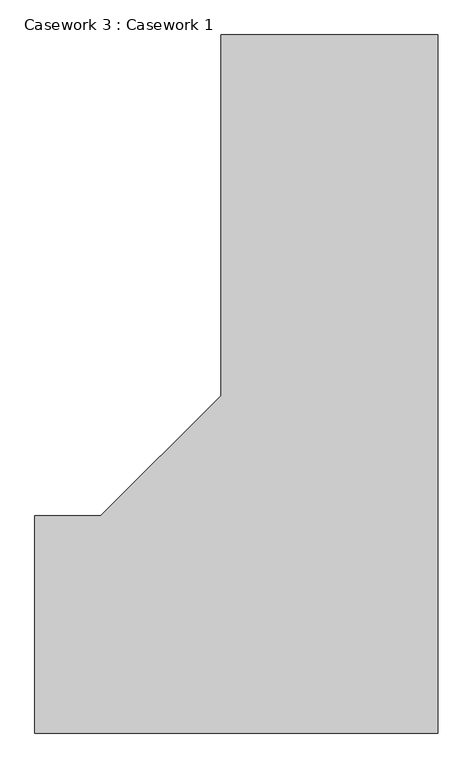
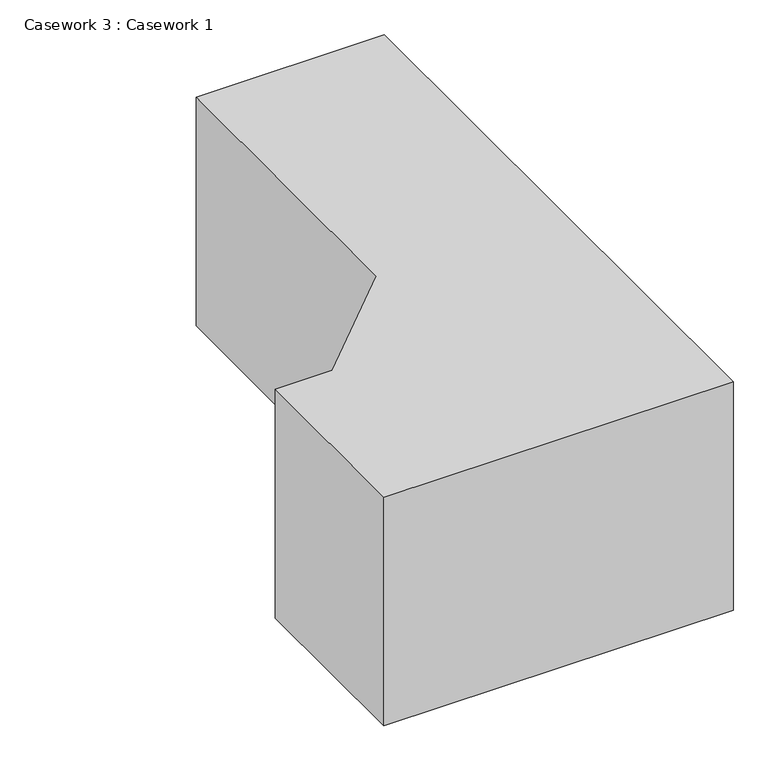
"""IFC4 building model written with IfcOpenShell, lengths in millimetres: furniture geometry, Casework 3 : Casework 1."""

from ifc_helpers import new_model, si_unit, frame, origin, place, context, project, spatial, polyline, outline, extrude, source, transform, mapped, element, save


def casework_3_casework_1_49991e0b(model_context):
    return source(origin(), model_context, "Body", "SweptSolid", [
        extrude(outline(polyline([(-43059.00192, 13279.4438803), (-43059.00192, 11029.4438803), (-44359.00192, 11029.4438803), (-44359.00192, 11729.4438803), (-44146.2685114, 11729.4438803), (-43759.00192, 12116.7104716), (-43759.00192, 13279.4438803), (-43059.00192, 13279.4438803)])), frame((0.0, 0.0, -1200.0), z_axis=(0.0, 0.0, 1.0), x_axis=(1.0, 0.0, 0.0)), (0.0, 0.0, 1.0), 900.0),
    ])


if __name__ == "__main__":
    model = new_model("IFC4")
    model_context = context("Model", 3, world=origin())
    ifc_project = project(units=[si_unit("LENGTHUNIT", "METRE", prefix="MILLI")], contexts=[model_context])
    site = spatial("IfcSite", under=ifc_project)
    building = spatial("IfcBuilding", under=site)
    placement = place(None, origin())
    casework_3_casework_1_shape = casework_3_casework_1_49991e0b(model_context)
    element("IfcFurniture", 1, ObjectType="Casework 3 : Casework 1", at=placement, inside=building, context=model_context, shape_type="MappedRepresentation", body=[
        mapped(casework_3_casework_1_shape, transform((0.0, 0.0, 0.0), x_axis=(1.0, 0.0, 0.0), y_axis=(0.0, 1.0, 0.0), z_axis=(0.0, 0.0, 1.0))),
    ])
    save(model, "model.ifc")
